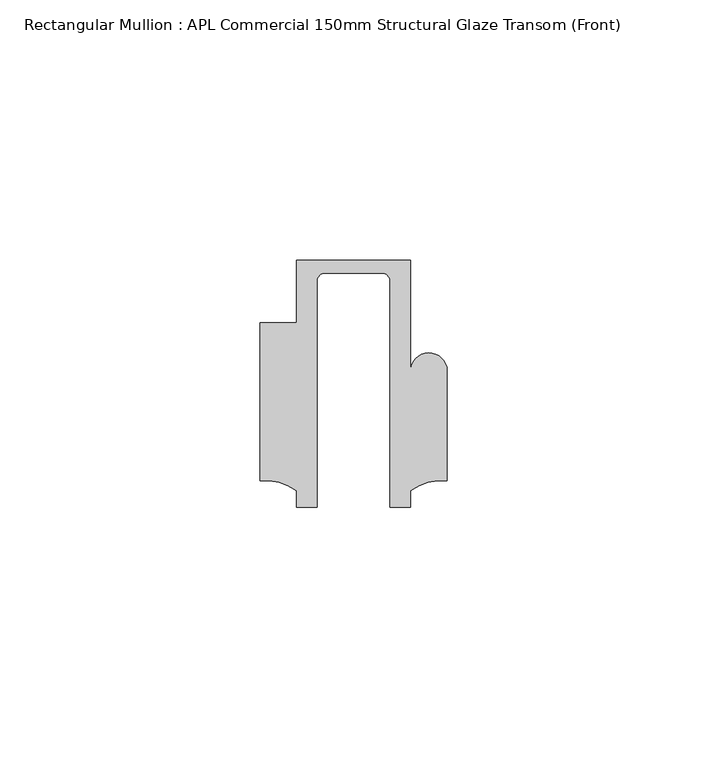
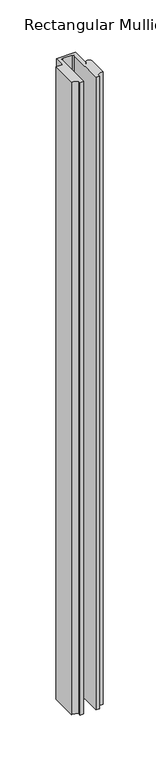
"""IFC4 building model written with IfcOpenShell, lengths in millimetres: member geometry, Rectangular Mullion : APL Commercial 150mm Structural Glaze Transom (Front)."""

import ifcopenshell
import ifcopenshell.guid

model = None  # the IFC model being written
_history = None  # IfcOwnerHistory: only IFC2X3 demands one
_inside = {}  # id of a spatial element -> (the spatial element, [elements in it])
_under = {}  # id of a project, library or spatial element -> (it, [spatial elements below it])
_declared = {}  # id of a project -> (the project, [libraries it declares])
_typed = {}  # id of a type object -> (the type object, [elements of that type])
_made_of = {}  # id of a material, layer set ... -> (it, [elements and type objects made of it])


def new_model(schema):
    """Start an empty IFC model of exactly this schema.

    Asked for "IFC4X3", IfcOpenShell would pick the latest addendum, in which some entities
    have other attributes; the version numbers below select the first issue.
    IFC2X3 requires an IfcOwnerHistory on every rooted entity: one is made here for all.
    """
    global model, _history
    if schema == "IFC4X3":
        model = ifcopenshell.file(schema_version=(4, 3, 0, 0))
    else:
        model = ifcopenshell.file(schema=schema)
    _inside.clear()
    _under.clear()
    _declared.clear()
    _typed.clear()
    _made_of.clear()
    _history = None
    if model.schema == "IFC2X3":
        org = make("IfcOrganization", Name="unknown")
        user = make(
            "IfcPersonAndOrganization",
            ThePerson=make("IfcPerson", FamilyName="unknown"),
            TheOrganization=org,
        )
        app = make(
            "IfcApplication",
            ApplicationDeveloper=org,
            Version="unknown",
            ApplicationFullName="unknown",
            ApplicationIdentifier="unknown",
        )
        _history = make(
            "IfcOwnerHistory",
            OwningUser=user,
            OwningApplication=app,
            ChangeAction="ADDED",
            CreationDate=0,
        )
    return model


def make(cls, **values):
    """One entity of the class cls with the attributes given. An attribute that is None is left unset."""
    return model.create_entity(
        cls, **{name: value for name, value in values.items() if value is not None}
    )


def rooted(cls, **values):
    """An entity with a GlobalId (a new one), such as an element, a storey or a relation."""
    return make(cls, GlobalId=ifcopenshell.guid.new(), OwnerHistory=_history, **values)


def si_unit(unit_type, name, prefix=None):
    """IfcSIUnit, for example si_unit("LENGTHUNIT", "METRE", prefix="MILLI")."""
    return make("IfcSIUnit", UnitType=unit_type, Prefix=prefix, Name=name)


def assignment(units):
    """IfcUnitAssignment: the units of a project."""
    return None if units is None else make("IfcUnitAssignment", Units=units)


def point(xyz):
    """IfcCartesianPoint."""
    return None if xyz is None else make("IfcCartesianPoint", Coordinates=xyz)


def direction(xyz):
    """IfcDirection."""
    return None if xyz is None else make("IfcDirection", DirectionRatios=xyz)


def frame(location, z_axis=None, x_axis=None):
    """IfcAxis2Placement3D, a coordinate frame: its origin and axes. An axis left out is left unset."""
    return make(
        "IfcAxis2Placement3D",
        Location=point(location),
        Axis=direction(z_axis),
        RefDirection=direction(x_axis),
    )


def origin():
    """The frame at (0, 0, 0) with its axes left unset."""
    return frame((0.0, 0.0, 0.0))


def place(relative_to, where):
    """IfcLocalPlacement: puts the frame where relative to a parent placement (None: the world)."""
    return make(
        "IfcLocalPlacement", PlacementRelTo=relative_to, RelativePlacement=where
    )


def context(
    kind, dimensions, precision=None, world=None, true_north=None, identifier=None
):
    """IfcGeometricRepresentationContext, for example the 3D "Model" context."""
    return make(
        "IfcGeometricRepresentationContext",
        ContextIdentifier=identifier,
        ContextType=kind,
        CoordinateSpaceDimension=dimensions,
        Precision=precision,
        WorldCoordinateSystem=world,
        TrueNorth=true_north,
    )


def project(units=None, contexts=None):
    """IfcProject with its units and contexts."""
    return rooted(
        "IfcProject",
        Name="project",
        RepresentationContexts=contexts,
        UnitsInContext=assignment(units),
    )


def spatial(cls, under=None, at=None, **own):
    """A site, building, storey or space (cls), placed at a placement, below another one or the project."""
    s = rooted(cls, ObjectPlacement=at, **own)
    if under is not None:
        _under.setdefault(under.id(), (under, []))[1].append(s)
    return s


def polyline(points):
    """IfcPolyline through the points."""
    return make("IfcPolyline", Points=[point(p) for p in points])


def circle_curve(where, radius):
    """IfcCircle in the frame where."""
    return make("IfcCircle", Position=where, Radius=radius)


def shape(context_of_items, identifier, shape_type, items):
    """IfcShapeRepresentation: the items that make up one representation, for example the "Body"."""
    return make(
        "IfcShapeRepresentation",
        ContextOfItems=context_of_items,
        RepresentationIdentifier=identifier,
        RepresentationType=shape_type,
        Items=items,
    )


def source(mapping_origin, context_of_items, identifier, shape_type, items):
    """IfcRepresentationMap: a shape defined once, which mapped items show again and again."""
    return make(
        "IfcRepresentationMap",
        MappingOrigin=mapping_origin,
        MappedRepresentation=shape(context_of_items, identifier, shape_type, items),
    )


def transform(
    local_origin,
    x_axis=None,
    y_axis=None,
    z_axis=None,
    scale=None,
    scale2=None,
    scale3=None,
    uniform=True,
):
    """IfcCartesianTransformationOperator3D, or its non-uniform kind. x_axis, y_axis, z_axis: its Axis1, 2, 3."""
    if uniform:
        return make(
            "IfcCartesianTransformationOperator3D",
            Axis1=direction(x_axis),
            Axis2=direction(y_axis),
            LocalOrigin=point(local_origin),
            Scale=scale,
            Axis3=direction(z_axis),
        )
    return make(
        "IfcCartesianTransformationOperator3DnonUniform",
        Axis1=direction(x_axis),
        Axis2=direction(y_axis),
        LocalOrigin=point(local_origin),
        Scale=scale,
        Axis3=direction(z_axis),
        Scale2=scale2,
        Scale3=scale3,
    )


def mapped(mapping_source, mapping_target):
    """IfcMappedItem: shows the shape of a source again, moved by a transform."""
    return make(
        "IfcMappedItem", MappingSource=mapping_source, MappingTarget=mapping_target
    )


def made_of(thing, what):
    """Note that an element or type object is made of a material, layer set ...; save() writes the relation."""
    if what is not None:
        _made_of.setdefault(what.id(), (what, []))[1].append(thing)
    return thing


def element(
    cls,
    number,
    at=None,
    inside=None,
    cuts=None,
    type_object=None,
    material=None,
    context=None,
    identifier="Body",
    shape_type=None,
    held_by="IfcProductDefinitionShape",
    body=None,
    shapes=None,
    **own,
):
    """One element of the class cls, such as IfcWall. Its Tag is "e" and its number.

    at: its placement. inside: the storey or other place that contains it. cuts: it is an
    opening in that element (IfcRelVoidsElement). A single representation is given by context,
    identifier, shape_type and body (its items); several are given by shapes. held_by: the class
    of the entity that holds the representations. save() writes the other relations.
    """
    e = rooted(cls, Tag="e%d" % number, ObjectPlacement=at, **own)
    if body is not None:
        shapes = [shape(context, identifier, shape_type, body)]
    if shapes is not None:
        e.Representation = make(held_by, Representations=shapes)
    if inside is not None:
        _inside.setdefault(inside.id(), (inside, []))[1].append(e)
    if cuts is not None:
        rooted(
            "IfcRelVoidsElement", RelatingBuildingElement=cuts, RelatedOpeningElement=e
        )
    if type_object is not None:
        _typed.setdefault(type_object.id(), (type_object, []))[1].append(e)
    return made_of(e, material)


def aggregate(whole, parts):
    """IfcRelAggregates: a whole, such as a stair, and the parts it consists of."""
    return rooted("IfcRelAggregates", RelatingObject=whole, RelatedObjects=parts)


def save(model, path):
    """Write the relations noted so far, then the file.

    IfcRelAggregates (storeys below a building ...), IfcRelContainedInSpatialStructure (elements
    in a storey), IfcRelDefinesByType, IfcRelAssociatesMaterial and IfcRelDeclares: one each for
    every whole, place, type object, material and project.
    """
    for whole, parts in _under.values():
        aggregate(whole, parts)
    for where, things in _inside.values():
        rooted(
            "IfcRelContainedInSpatialStructure",
            RelatedElements=things,
            RelatingStructure=where,
        )
    for kind, things in _typed.values():
        rooted("IfcRelDefinesByType", RelatedObjects=things, RelatingType=kind)
    for what, things in _made_of.values():
        rooted("IfcRelAssociatesMaterial", RelatedObjects=things, RelatingMaterial=what)
    for by, libraries in _declared.values():
        rooted("IfcRelDeclares", RelatingContext=by, RelatedDefinitions=libraries)
    model.write(path)


def plane_surface(at):
    """IfcPlane: the flat surface through the origin of the frame at, square to its z axis."""
    return make("IfcPlane", Position=at)


def cylinder_surface(at, radius):
    """IfcCylindricalSurface: all points at the distance radius from the z axis of the frame at."""
    return make("IfcCylindricalSurface", Position=at, Radius=radius)


def revolved_surface(curve, axis_point, axis_direction):
    """IfcSurfaceOfRevolution: the curve turned about the line through axis_point along axis_direction."""
    return make(
        "IfcSurfaceOfRevolution",
        SweptCurve=make("IfcArbitraryOpenProfileDef", ProfileType="CURVE", Curve=curve),
        AxisPosition=make("IfcAxis1Placement", Location=point(axis_point), Axis=direction(axis_direction)),
    )


def advanced_brep(points, edges, surfaces, faces):
    """IfcAdvancedBrep: a solid bounded by faces that lie on surfaces and meet in shared edges.

    An edge is (start, end): straight between two places in points (the first is 0);
    or (start, end, curve); or (start, end, curve, False) where it runs against its curve.
    A face is (place in surfaces, loops), or (place, loops, False) where it looks against
    its surface's normal. A loop lists edges by number (the first is 1), with a minus sign
    where the edge is run from its end to its start. The first loop is the outer one.
    """
    corners = [point(p) for p in points]
    vertices = [make("IfcVertexPoint", VertexGeometry=c) for c in corners]
    made = []
    for start, end, *more in edges:
        made.append(
            make(
                "IfcEdgeCurve",
                EdgeStart=vertices[start],
                EdgeEnd=vertices[end],
                EdgeGeometry=more[0] if more else make("IfcPolyline", Points=[corners[start], corners[end]]),
                SameSense=more[1] if len(more) > 1 else True,
            )
        )
    hull = []
    for where, loops, *sense in faces:
        bounds = []
        for j, loop in enumerate(loops):
            ring = [make("IfcOrientedEdge", EdgeElement=made[abs(k) - 1], Orientation=k > 0) for k in loop]
            bounds.append(
                make(
                    "IfcFaceOuterBound" if j == 0 else "IfcFaceBound",
                    Bound=make("IfcEdgeLoop", EdgeList=ring),
                    Orientation=True,
                )
            )
        hull.append(make("IfcAdvancedFace", Bounds=bounds, FaceSurface=surfaces[where], SameSense=sense[0] if sense else True))
    return make("IfcAdvancedBrep", Outer=make("IfcClosedShell", CfsFaces=hull))


def rectangular_mullion_apl_commercial_150mm_structural_glaze_f8196e30(model_context):
    return source(origin(), model_context, "Body", "AdvancedBrep", [
        advanced_brep(
        [(-11.0000151, 27.0, 0.0), (-11.0000151, 15.0006281, 0.0), (-17.9999542, 15.0006281, 0.0), (-17.9999542, -15.3797475, 0.0), (-10.9999994, -17.3125325, 0.0), (-10.9999994, -20.5, 0.0), (-6.9999853, -20.5, 0.0), (-6.9999853, 22.9976091, 0.0), (-5.4999873, 24.5, 0.0), (5.4999872, 24.5, 0.0), (6.9999849, 22.9973451, 0.0), (6.9999849, -20.5, 0.0), (11.0000151, -20.5, 0.0), (11.0000151, -17.3125212, 0.0), (17.9999542, -15.3797475, 0.0), (17.9999542, 5.684606, 0.0), (11.001071, 5.5848769, 0.0), (11.001071, 27.0, 0.0), (-11.0000151, 27.0, -766.1423736), (11.001071, 27.0, -766.1423736), (11.001071, 5.5848769, -766.1423736), (17.9999091, 5.6750512, -766.1423736), (17.9999542, -15.3797475, -766.1423736), (11.0000151, -17.3125212, -766.1423736), (11.0000151, -20.5, -766.1423736), (6.9999849, -20.5, -766.1423736), (6.9999849, 22.9973451, -766.1423736), (5.4999872, 24.5, -766.1423736), (-5.4999873, 24.5, -766.1423736), (-6.9999853, 22.9976091, -766.1423736), (-6.9999853, -20.5, -766.1423736), (-10.9999994, -20.5, -766.1423736), (-10.9999994, -17.3125325, -766.1423736), (-17.9999542, -15.3797475, -766.1423736), (-17.9999542, 15.0006281, -766.1423736), (-11.0000151, 15.0006281, -766.1423736)],
        [
            (0, 1),
            (1, 2),
            (2, 3),
            (3, 4, circle_curve(frame((-17.109817, -25.7981812, 0.0), z_axis=(0.0, 0.0, -1.0), x_axis=(0.0, 1.0, 0.0)), 10.4563907)),
            (4, 5),
            (5, 6),
            (6, 7),
            (7, 8, circle_curve(frame((-5.4999873, 23.0, 0.0), z_axis=(0.0, 0.0, -1.0), x_axis=(2.7320010112268853e-08, 0.9999999999999997, 0.0)), 1.5)),
            (8, 9),
            (9, 10, circle_curve(frame((5.4999872, 23.0, 0.0), z_axis=(0.0, 0.0, -1.0), x_axis=(0.9999999999999986, -5.463622857820516e-08, 0.0)), 1.5)),
            (10, 11),
            (11, 12),
            (12, 13),
            (13, 14, circle_curve(frame((17.109817, -25.7981812, 0.0), z_axis=(0.0, 0.0, -1.0), x_axis=(0.0, 1.0, 0.0)), 10.4563907)),
            (14, 15),
            (15, 16, circle_curve(frame((14.4999091, 5.6750512, 0.0), z_axis=(0.0, 0.0, 1.0), x_axis=(-0.9999826028573957, -0.005898642432633649, 0.0)), 3.5)),
            (16, 17),
            (17, 0),
            (18, 19),
            (19, 20),
            (20, 21, circle_curve(frame((14.4999091, 5.6750512, -766.1423736), z_axis=(0.0, 0.0, -1.0), x_axis=(-0.9999826028573957, -0.005898642432633649, 0.0)), 3.5)),
            (21, 22),
            (22, 23, circle_curve(frame((17.109817, -25.7981812, -766.1423736), z_axis=(0.0, 0.0, 1.0), x_axis=(0.0, 1.0, 0.0)), 10.4563907)),
            (23, 24),
            (24, 25),
            (25, 26),
            (26, 27, circle_curve(frame((5.4999872, 23.0, -766.1423736), z_axis=(0.0, 0.0, 1.0), x_axis=(0.9999999999999986, -5.463622857820516e-08, 0.0)), 1.5)),
            (27, 28),
            (28, 29, circle_curve(frame((-5.4999873, 23.0, -766.1423736), z_axis=(0.0, 0.0, 1.0), x_axis=(2.7320010112268853e-08, 0.9999999999999997, 0.0)), 1.5)),
            (29, 30),
            (30, 31),
            (31, 32),
            (32, 33, circle_curve(frame((-17.109817, -25.7981812, -766.1423736), z_axis=(0.0, 0.0, 1.0), x_axis=(0.0, 1.0, 0.0)), 10.4563907)),
            (33, 34),
            (34, 35),
            (35, 18),
            (0, 18),
            (35, 1),
            (34, 2),
            (33, 3),
            (32, 4),
            (31, 5),
            (30, 6),
            (29, 7),
            (28, 8),
            (27, 9),
            (26, 10),
            (25, 11),
            (24, 12),
            (23, 13),
            (22, 14),
            (21, 15),
            (20, 16),
            (19, 17),
        ],
        [
            plane_surface(frame((0.0, -29.1551636, 0.0), z_axis=(0.0, 0.0, 1.0), x_axis=(-1.0, 0.0, 0.0))),
            plane_surface(frame((0.0, -29.1551636, -766.1423736), z_axis=(0.0, 0.0, -1.0), x_axis=(-1.0, 0.0, 0.0))),
            plane_surface(frame((-11.0000151, 27.0, 0.0), z_axis=(-1.0, 0.0, 0.0), x_axis=(0.0, 0.0, -1.0))),
            plane_surface(frame((-11.0000151, 15.0006281, 0.0), z_axis=(0.0, 1.0, 0.0), x_axis=(0.0, 0.0, -1.0))),
            plane_surface(frame((-17.9999542, 15.0006281, 0.0), z_axis=(-1.0, 0.0, 0.0), x_axis=(0.0, 0.0, -1.0))),
            revolved_surface(polyline([(-17.109817, -15.341790499999998, -766.1423736), (-17.109817, -15.341790499999998, 0.0)]), (-17.109817, -25.7981812, 0.0), (0.0, 0.0, -1.0)),
            plane_surface(frame((-10.9999994, -17.3125325, 0.0), z_axis=(-1.0, 0.0, 0.0), x_axis=(0.0, 0.0, -1.0))),
            plane_surface(frame((-10.9999994, -20.5, 0.0), z_axis=(0.0, -1.0, 0.0), x_axis=(0.0, 0.0, -1.0))),
            plane_surface(frame((-6.9999853, -20.5, 0.0), z_axis=(1.0, 0.0, 0.0), x_axis=(0.0, 0.0, -1.0))),
            revolved_surface(polyline([(-5.499987259019985, 24.5, -766.1423736), (-5.499987259019985, 24.5, 0.0)]), (-5.4999873, 23.0, 0.0), (0.0, 0.0, -1.0)),
            plane_surface(frame((-5.4999873, 24.5, 0.0), z_axis=(0.0, -1.0, 0.0), x_axis=(0.0, 0.0, -1.0))),
            revolved_surface(polyline([(6.999987199999998, 22.999999918045656, -766.1423736), (6.999987199999998, 22.999999918045656, 0.0)]), (5.4999872, 23.0, 0.0), (0.0, 0.0, -1.0)),
            plane_surface(frame((6.9999849, 22.9973451, 0.0), z_axis=(-1.0, 0.0, 0.0), x_axis=(0.0, 0.0, -1.0))),
            plane_surface(frame((6.9999849, -20.5, 0.0), z_axis=(0.0, -1.0, 0.0), x_axis=(0.0, 0.0, -1.0))),
            plane_surface(frame((11.0000151, -20.5, 0.0), z_axis=(1.0, 0.0, 0.0), x_axis=(0.0, 0.0, -1.0))),
            revolved_surface(polyline([(17.109817, -15.341790499999998, -766.1423736), (17.109817, -15.341790499999998, 0.0)]), (17.109817, -25.7981812, 0.0), (0.0, 0.0, -1.0)),
            plane_surface(frame((17.9999542, -15.3797475, 0.0), z_axis=(1.0, 0.0, 0.0), x_axis=(0.0, 0.0, -1.0))),
            cylinder_surface(frame((14.4999091, 5.6750512, 0.0), z_axis=(0.0, 0.0, 1.0), x_axis=(-0.9999826028573957, -0.005898642432633649, 0.0)), 3.5),
            plane_surface(frame((11.001071, 5.5848769, 0.0), z_axis=(1.0, 0.0, 0.0), x_axis=(0.0, 0.0, -1.0))),
            plane_surface(frame((11.001071, 27.0, 0.0), z_axis=(0.0, 1.0, 0.0), x_axis=(0.0, 0.0, -1.0))),
        ],
        [
            (0, [[1, 2, 3, 4, 5, 6, 7, 8, 9, 10, 11, 12, 13, 14, 15, 16, 17, 18]]),
            (1, [[19, 20, 21, 22, 23, 24, 25, 26, 27, 28, 29, 30, 31, 32, 33, 34, 35, 36]]),
            (2, [[-1, 37, -36, 38]]),
            (3, [[-2, -38, -35, 39]]),
            (4, [[-3, -39, -34, 40]]),
            (5, [[-4, -40, -33, 41]]),
            (6, [[-5, -41, -32, 42]]),
            (7, [[-6, -42, -31, 43]]),
            (8, [[-7, -43, -30, 44]]),
            (9, [[-8, -44, -29, 45]]),
            (10, [[-9, -45, -28, 46]]),
            (11, [[-10, -46, -27, 47]]),
            (12, [[-11, -47, -26, 48]]),
            (13, [[-12, -48, -25, 49]]),
            (14, [[-13, -49, -24, 50]]),
            (15, [[-14, -50, -23, 51]]),
            (16, [[-15, -51, -22, 52]]),
            (17, [[-16, -52, -21, 53]]),
            (18, [[-17, -53, -20, 54]]),
            (19, [[-18, -54, -19, -37]]),
        ],
    ),
    ])


if __name__ == "__main__":
    model = new_model("IFC4")
    model_context = context("Model", 3, world=origin())
    ifc_project = project(units=[si_unit("LENGTHUNIT", "METRE", prefix="MILLI")], contexts=[model_context])
    site = spatial("IfcSite", under=ifc_project)
    building = spatial("IfcBuilding", under=site)
    placement = place(None, origin())
    rectangular_mullion_apl_commercial_150mm_structural_glaze_shape = rectangular_mullion_apl_commercial_150mm_structural_glaze_f8196e30(model_context)
    element("IfcMember", 1, ObjectType="Rectangular Mullion : APL Commercial 150mm Structural Glaze Transom (Front)", at=placement, inside=building, context=model_context, shape_type="MappedRepresentation", body=[
        mapped(rectangular_mullion_apl_commercial_150mm_structural_glaze_shape, transform((0.0, 0.0, 0.0), x_axis=(1.0, 0.0, 0.0), y_axis=(0.0, 1.0, 0.0), z_axis=(0.0, 0.0, 1.0))),
    ])
    save(model, "model.ifc")
